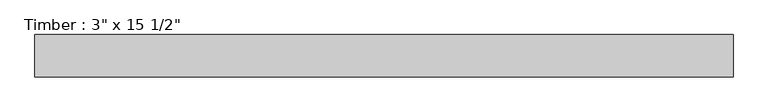
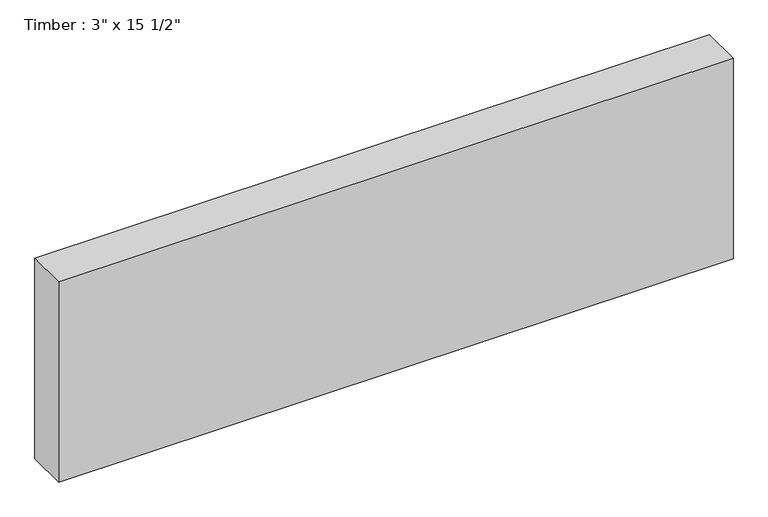
"""IFC4 building model written with IfcOpenShell, lengths in millimetres: beam geometry."""

from ifc_helpers import new_model, si_unit, frame, origin, place, context, project, spatial, polyline, outline, extrude, source, transform, mapped, element, save


def beam_672bdd03(model_context):
    return source(origin(), model_context, "Body", "SweptSolid", [
        extrude(outline(polyline([(627.1069863, 38.1), (627.1069863, -38.1), (-627.1069863, -38.1), (-627.1069863, 38.1), (627.1069863, 38.1)])), frame((0.0, 0.0, -196.85), z_axis=(0.0, 0.0, 1.0), x_axis=(1.0, 0.0, 0.0)), (0.0, 0.0, 1.0), 393.7),
    ])


if __name__ == "__main__":
    model = new_model("IFC4")
    model_context = context("Model", 3, world=origin())
    ifc_project = project(units=[si_unit("LENGTHUNIT", "METRE", prefix="MILLI")], contexts=[model_context])
    site = spatial("IfcSite", under=ifc_project)
    building = spatial("IfcBuilding", under=site)
    placement = place(None, origin())
    beam_shape = beam_672bdd03(model_context)
    element("IfcBeam", 1, ObjectType="Timber : 3\" x 15 1/2\"", at=placement, inside=building, context=model_context, shape_type="MappedRepresentation", body=[
        mapped(beam_shape, transform((0.0, 0.0, 0.0), x_axis=(1.0, 0.0, 0.0), y_axis=(0.0, 1.0, 0.0), z_axis=(0.0, 0.0, 1.0))),
    ])
    save(model, "model.ifc")
